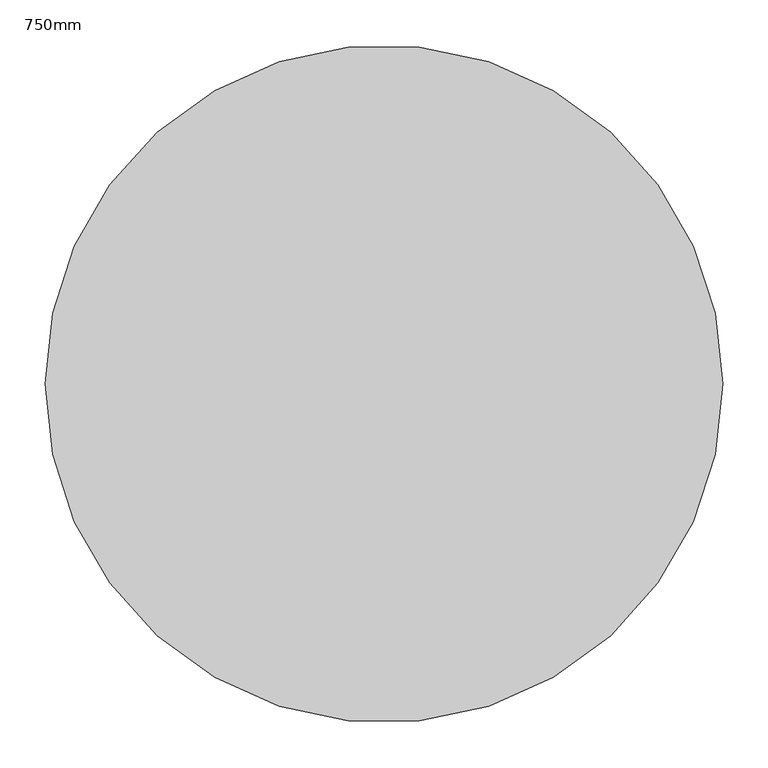
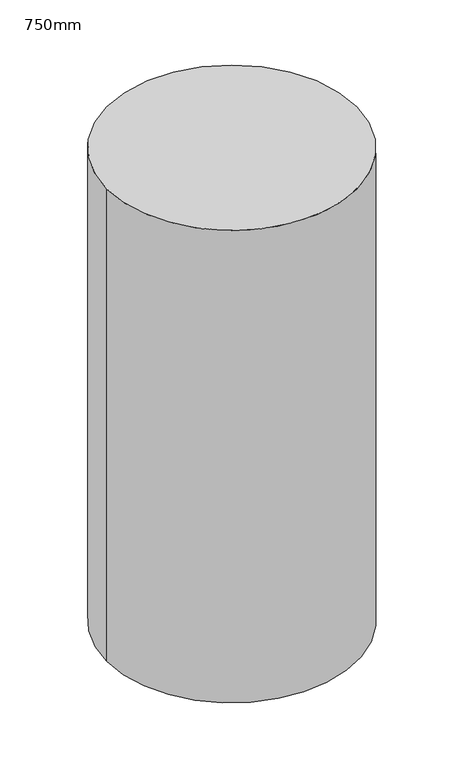
"""IFC4 building model written with IfcOpenShell, lengths in millimetres: column geometry, 750mm."""

from ifc_helpers import new_model, si_unit, point, origin, origin_with_axes, origin_2d, place, context, project, spatial, circle_curve, trimmed, segment, composite_curve, outline, extrude, source, transform, mapped, element, save


def column_750mm_731b436e(model_context):
    return source(origin(), model_context, "Body", "SweptSolid", [
        extrude(outline(composite_curve([segment(trimmed(circle_curve(origin_2d(), 375.0), [point((-375.0, 0.0))], [point((375.0, 0.0))], False, "CARTESIAN"), True, "CONTINUOUS"), segment(trimmed(circle_curve(origin_2d(), 375.0), [point((375.0, 0.0))], [point((-375.0, 0.0))], False, "CARTESIAN"), True, "CONTINUOUS")], self_intersect=False)), origin_with_axes(), (0.0, 0.0, 1.0), 1500.0),
    ])


if __name__ == "__main__":
    model = new_model("IFC4")
    model_context = context("Model", 3, world=origin())
    ifc_project = project(units=[si_unit("LENGTHUNIT", "METRE", prefix="MILLI")], contexts=[model_context])
    site = spatial("IfcSite", under=ifc_project)
    building = spatial("IfcBuilding", under=site)
    placement = place(None, origin())
    column_750mm_shape = column_750mm_731b436e(model_context)
    element("IfcColumn", 1, ObjectType="750mm", at=placement, inside=building, context=model_context, shape_type="MappedRepresentation", body=[
        mapped(column_750mm_shape, transform((0.0, 0.0, 0.0), x_axis=(1.0, 0.0, 0.0), y_axis=(0.0, 1.0, 0.0), z_axis=(0.0, 0.0, 1.0))),
    ])
    save(model, "model.ifc")
